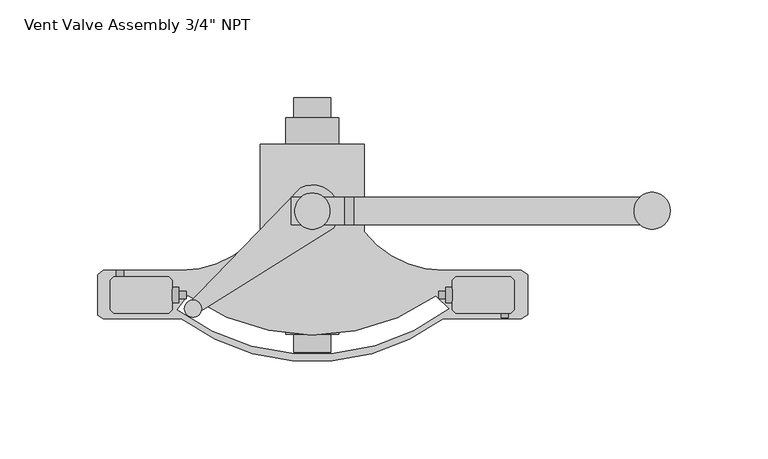
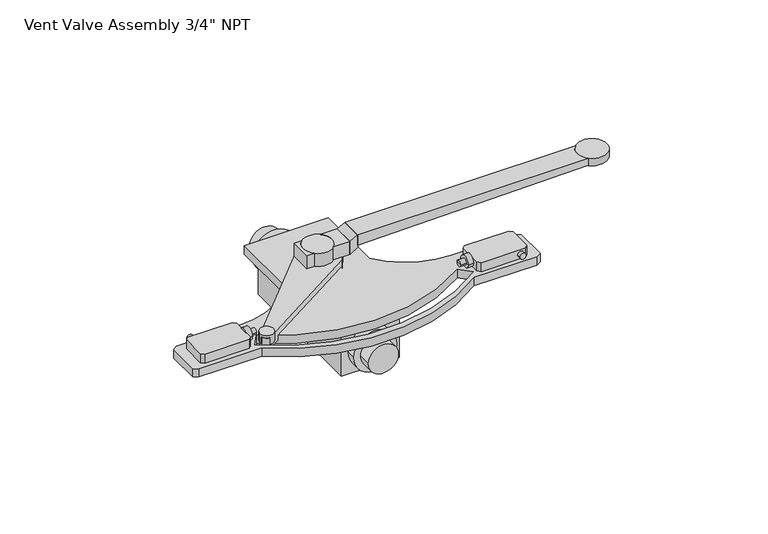
"""IFC4 building model written with IfcOpenShell, lengths in millimetres: proxy geometry."""

from ifc_helpers import new_model, si_unit, point, frame, frame_2d, origin, origin_with_axes, place, context, project, spatial, polyline, circle_curve, ellipse_curve, trimmed, segment, composite_curve, outline, extrude, source, transform, mapped, element, save
from ifc_brep_helpers import plane_surface, cylinder_surface, revolved_surface, advanced_brep


def proxy_3e509a9d(model_context):
    return source(origin(), model_context, "Body", "SolidModel", [
        advanced_brep(
        [(167.6530918, 49.9011411, 51.1490166), (21.4276479, 49.9011411, 51.1490166), (21.4276479, 36.0493409, 51.1490166), (167.6530918, 36.0493409, 51.1490166), (167.6530918, 49.9011411, 46.2462773), (21.4276479, 49.9011411, 44.0599167), (21.4276479, 36.0493409, 44.0599167), (167.6530918, 36.0493409, 46.2462773)],
        [
            (0, 1),
            (1, 2),
            (2, 3),
            (3, 0, circle_curve(frame((173.6986283, 42.975241, 51.1490166), z_axis=(0.0, 0.0, -1.0), x_axis=(1.0, 0.0, 0.0)), 9.1932912)),
            (0, 4),
            (4, 5),
            (5, 1),
            (5, 6),
            (6, 2),
            (6, 7),
            (7, 3),
            (7, 4, ellipse_curve(frame((173.6986283, 42.975241, 46.3366701), z_axis=(0.01495031373963865, 0.0, -0.9998882378141501), x_axis=(-0.9998882378141504, 0.0, -0.014950313739631306)), 9.1943188, 9.1932912)),
        ],
        [
            plane_surface(frame((24.7673325, 49.9011411, 51.1490166), z_axis=(0.0, 0.0, 1.0), x_axis=(-1.0, 0.0, 0.0))),
            plane_surface(frame((167.6530918, 49.9011411, 51.1490166), z_axis=(0.0, 1.0, 0.0), x_axis=(0.0, 0.0, -1.0))),
            plane_surface(frame((21.4276479, 49.9011411, 51.1490166), z_axis=(-1.0, 0.0, 0.0), x_axis=(0.0, 0.0, -1.0))),
            plane_surface(frame((21.4276479, 36.0493409, 51.1490166), z_axis=(0.0, -1.0, 0.0), x_axis=(0.0, 0.0, -1.0))),
            revolved_surface(polyline([(182.8919195, 42.975241, 46.19921214931781), (182.8919195, 42.975241, 51.1490166)]), (173.6986283, 42.975241, 43.3433435), (0.0, 0.0, -1.0)),
            plane_surface(frame((167.6530918, 36.0493409, 46.2462773), z_axis=(0.01495031373963865, 0.0, -0.9998882378141501), x_axis=(0.0, 1.0, 0.0))),
        ],
        [
            (0, [[1, 2, 3, 4]]),
            (1, [[-1, 5, 6, 7]]),
            (2, [[-2, -7, 8, 9]]),
            (3, [[-3, -9, 10, 11]]),
            (4, [[-4, -11, 12, -5]]),
            (5, [[-6, -12, -10, -8]]),
        ],
    ),
        extrude(outline(composite_curve([segment(trimmed(circle_curve(frame_2d((0.0643583, 42.9415181)), 9.2572168), [point((-6.039715, 49.9011411))], [point((-6.039715, 35.9818952))], True, "CARTESIAN"), True, "CONTINUOUS"), segment(polyline([(-6.039715, 35.9818952), (-10.7900482, 35.9818952), (-10.7900482, 49.9011411), (-6.039715, 49.9011411)]), True, "CONTINUOUS")], self_intersect=False)), frame((0.0, 0.0, 39.6620445), z_axis=(0.0, 0.0, 1.0), x_axis=(1.0, 0.0, 0.0)), (0.0, 0.0, 1.0), 8.5740422),
        advanced_brep(
        [(71.788078, -3.955816, 38.5816364), (71.788078, 3.955816, 38.5816364), (71.788078, 0.0, 38.5816364), (64.6864693, 0.0, 38.5816364), (64.6864693, 1.9244351, 38.5816364), (64.6864693, -1.9244351, 38.5816364), (68.3253532, 1.9244351, 38.5816364), (68.3253532, -1.9244351, 38.5816364), (68.3253532, 3.955816, 38.5816364), (68.3253532, -3.955816, 38.5816364)],
        [
            (0, 1, circle_curve(frame((71.788078, 0.0, 38.5816364), z_axis=(1.0, 0.0, 0.0), x_axis=(0.0, 1.0, 0.0)), 3.955816)),
            (1, 2),
            (2, 0),
            (1, 0, circle_curve(frame((71.788078, 0.0, 38.5816364), z_axis=(1.0, 0.0, 0.0), x_axis=(0.0, 1.0, 0.0)), 3.955816)),
            (3, 4),
            (4, 5, circle_curve(frame((64.6864693, 0.0, 38.5816364), z_axis=(-1.0, 0.0, 0.0), x_axis=(0.0, 1.0, 0.0)), 1.9244351)),
            (5, 3),
            (5, 4, circle_curve(frame((64.6864693, 0.0, 38.5816364), z_axis=(-1.0, 0.0, 0.0), x_axis=(0.0, 1.0, 0.0)), 1.9244351)),
            (4, 6),
            (6, 7, circle_curve(frame((68.3253532, 0.0, 38.5816364), z_axis=(-1.0, 0.0, 0.0), x_axis=(0.0, 1.0, 0.0)), 1.9244351)),
            (7, 5),
            (7, 6, circle_curve(frame((68.3253532, 0.0, 38.5816364), z_axis=(-1.0, 0.0, 0.0), x_axis=(0.0, 1.0, 0.0)), 1.9244351)),
            (6, 8),
            (8, 9, circle_curve(frame((68.3253532, 0.0, 38.5816364), z_axis=(-1.0, 0.0, 0.0), x_axis=(0.0, 1.0, 0.0)), 3.955816)),
            (9, 7),
            (9, 8, circle_curve(frame((68.3253532, 0.0, 38.5816364), z_axis=(-1.0, 0.0, 0.0), x_axis=(0.0, 1.0, 0.0)), 3.955816)),
            (8, 1),
            (0, 9),
        ],
        [
            plane_surface(frame((71.788078, 0.0, 38.5816364), z_axis=(1.0, 0.0, 0.0), x_axis=(0.0, 1.0, 0.0))),
            plane_surface(frame((64.6864693, 0.0, 38.5816364), z_axis=(-1.0, 0.0, 0.0), x_axis=(0.0, 1.0, 0.0))),
            cylinder_surface(frame((65.1724957, 0.0, 38.5816364), z_axis=(-1.0, 0.0, 0.0), x_axis=(0.0, 1.0, 0.0)), 1.9244351),
            plane_surface(frame((68.3253532, 0.0, 38.5816364), z_axis=(-1.0, 0.0, 0.0), x_axis=(0.0, 1.0, 0.0))),
            cylinder_surface(frame((65.1724957, 0.0, 38.5816364), z_axis=(-1.0, 0.0, 0.0), x_axis=(0.0, 1.0, 0.0)), 3.955816),
        ],
        [
            (0, [[1, 2, 3]]),
            (0, [[4, -3, -2]]),
            (1, [[5, 6, 7]]),
            (1, [[-7, 8, -5]]),
            (2, [[-6, 9, 10, 11]]),
            (2, [[-8, -11, 12, -9]]),
            (3, [[-10, 13, 14, 15]]),
            (3, [[-12, -15, 16, -13]]),
            (4, [[-14, 17, -1, 18]]),
            (4, [[-16, -18, -4, -17]]),
        ],
    ),
        advanced_brep(
        [(-71.788078, 0.0, 38.5816364), (-71.788078, 3.955816, 38.5816364), (-71.788078, -3.955816, 38.5816364), (-64.6864693, -1.9244351, 38.5816364), (-64.6864693, 1.9244351, 38.5816364), (-64.6864693, 0.0, 38.5816364), (-68.3253532, -1.9244351, 38.5816364), (-68.3253532, 1.9244351, 38.5816364), (-68.3253532, -3.955816, 38.5816364), (-68.3253532, 3.955816, 38.5816364)],
        [
            (0, 1),
            (1, 2, circle_curve(frame((-71.788078, 0.0, 38.5816364), z_axis=(-1.0, 0.0, 0.0), x_axis=(0.0, 1.0, 0.0)), 3.955816)),
            (2, 0),
            (2, 1, circle_curve(frame((-71.788078, 0.0, 38.5816364), z_axis=(-1.0, 0.0, 0.0), x_axis=(0.0, 1.0, 0.0)), 3.955816)),
            (3, 4, circle_curve(frame((-64.6864693, 0.0, 38.5816364), z_axis=(1.0, 0.0, 0.0), x_axis=(0.0, 1.0, 0.0)), 1.9244351)),
            (4, 5),
            (5, 3),
            (4, 3, circle_curve(frame((-64.6864693, 0.0, 38.5816364), z_axis=(1.0, 0.0, 0.0), x_axis=(0.0, 1.0, 0.0)), 1.9244351)),
            (6, 7, circle_curve(frame((-68.3253532, 0.0, 38.5816364), z_axis=(1.0, 0.0, 0.0), x_axis=(0.0, 1.0, 0.0)), 1.9244351)),
            (7, 4),
            (3, 6),
            (7, 6, circle_curve(frame((-68.3253532, 0.0, 38.5816364), z_axis=(1.0, 0.0, 0.0), x_axis=(0.0, 1.0, 0.0)), 1.9244351)),
            (8, 9, circle_curve(frame((-68.3253532, 0.0, 38.5816364), z_axis=(1.0, 0.0, 0.0), x_axis=(0.0, 1.0, 0.0)), 3.955816)),
            (9, 7),
            (6, 8),
            (9, 8, circle_curve(frame((-68.3253532, 0.0, 38.5816364), z_axis=(1.0, 0.0, 0.0), x_axis=(0.0, 1.0, 0.0)), 3.955816)),
            (1, 9),
            (8, 2),
        ],
        [
            plane_surface(frame((-71.788078, 0.0, 38.5816364), z_axis=(-1.0, 0.0, 0.0), x_axis=(0.0, 1.0, 0.0))),
            plane_surface(frame((-64.6864693, 0.0, 38.5816364), z_axis=(1.0, 0.0, 0.0), x_axis=(0.0, 1.0, 0.0))),
            cylinder_surface(frame((-68.0200584, 0.0, 38.5816364), z_axis=(-1.0, 0.0, 0.0), x_axis=(0.0, 1.0, 0.0)), 1.9244351),
            plane_surface(frame((-68.3253532, 0.0, 38.5816364), z_axis=(1.0, 0.0, 0.0), x_axis=(0.0, 1.0, 0.0))),
            cylinder_surface(frame((-68.0200584, 0.0, 38.5816364), z_axis=(-1.0, 0.0, 0.0), x_axis=(0.0, 1.0, 0.0)), 3.955816),
        ],
        [
            (0, [[1, 2, 3]]),
            (0, [[-3, 4, -1]]),
            (1, [[5, 6, 7]]),
            (1, [[8, -7, -6]]),
            (2, [[9, 10, -5, 11]]),
            (2, [[12, -11, -8, -10]]),
            (3, [[13, 14, -9, 15]]),
            (3, [[16, -15, -12, -14]]),
            (4, [[-2, 17, -13, 18]]),
            (4, [[-4, -18, -16, -17]]),
        ],
    ),
        extrude(outline(composite_curve([segment(trimmed(circle_curve(frame_2d((173.9591042, 43.0875816)), 9.4500066), [point((164.5090976, 43.0875816))], [point((183.4091108, 43.0875816))], False, "CARTESIAN"), True, "CONTINUOUS"), segment(trimmed(circle_curve(frame_2d((173.9591042, 43.0875816)), 9.4500066), [point((183.4091108, 43.0875816))], [point((164.5090976, 43.0875816))], False, "CARTESIAN"), True, "CONTINUOUS")], self_intersect=False)), frame((0.0, 0.0, 46.1996366), z_axis=(0.0, 0.0, 1.0), x_axis=(1.0, 0.0, 0.0)), (0.0, 0.0, 1.0), 4.94938),
        extrude(outline(polyline([(51.1490166, 21.4276479), (48.2360867, 16.5797184), (39.7573525, 16.5797184), (42.6155598, 21.4276479), (51.1490166, 21.4276479)])), frame((0.0, 36.0493409, 0.0), z_axis=(0.0, 1.0, 0.0), x_axis=(0.0, 0.0, 1.0)), (0.0, 0.0, 1.0), 13.8518001),
        extrude(outline(composite_curve([segment(polyline([(16.5797184, 36.0493409), (6.1040733, 36.0493409)]), True, "CONTINUOUS"), segment(trimmed(circle_curve(frame_2d((0.0689597, 42.975241)), 9.1864404), [point((6.1040733, 36.0493409))], [point((6.1040733, 49.9011411))], True, "CARTESIAN"), True, "CONTINUOUS"), segment(polyline([(6.1040733, 49.9011411), (16.5797184, 49.9011411), (16.5797184, 36.0493409)]), True, "CONTINUOUS")], self_intersect=False)), frame((0.0, 0.0, 39.6620445), z_axis=(0.0, 0.0, 1.0), x_axis=(1.0, 0.0, 0.0)), (0.0, 0.0, 1.0), 8.5740422),
        extrude(outline(composite_curve([segment(trimmed(circle_curve(frame_2d((0.0, 42.9415181)), 9.2572168), [point((-9.2572168, 42.9415181))], [point((9.2572168, 42.9415181))], False, "CARTESIAN"), True, "CONTINUOUS"), segment(trimmed(circle_curve(frame_2d((0.0, 42.9415181)), 9.2572168), [point((9.2572168, 42.9415181))], [point((-9.2572168, 42.9415181))], False, "CARTESIAN"), True, "CONTINUOUS")], self_intersect=False)), frame((0.0, 0.0, 39.6620445), z_axis=(0.0, 0.0, 1.0), x_axis=(1.0, 0.0, 0.0)), (0.0, 0.0, 1.0), 8.5740422),
        extrude(outline(composite_curve([segment(trimmed(circle_curve(frame_2d((0.0423428, 42.6260306)), 13.6268315), [point((-6.039715, 54.8202551))], [point((10.7055633, 34.1415586))], False, "CARTESIAN"), True, "CONTINUOUS"), segment(polyline([(10.7055633, 34.1415586), (-61.6463382, -11.0689272)]), True, "CONTINUOUS"), segment(trimmed(circle_curve(frame_2d((-61.3250466, -7.2170128)), 3.8652908), [point((-61.6463382, -11.0689272))], [point((-65.0856765, -6.3236279))], False, "CARTESIAN"), True, "CONTINUOUS"), segment(polyline([(-65.0856765, -6.3236279), (-6.039715, 54.8202551)]), True, "CONTINUOUS")], self_intersect=False)), frame((0.0, 0.0, 32.4571134), z_axis=(0.0, 0.0, 1.0), x_axis=(1.0, 0.0, 0.0)), (0.0, 0.0, 1.0), 7.204931),
        extrude(outline(composite_curve([segment(trimmed(circle_curve(frame_2d((-61.278367, -7.2274436)), 2.423053), [point((-63.7014201, -7.2274436))], [point((-58.855314, -7.2274436))], False, "CARTESIAN"), True, "CONTINUOUS"), segment(trimmed(circle_curve(frame_2d((-61.278367, -7.2274436)), 2.423053), [point((-58.855314, -7.2274436))], [point((-63.7014201, -7.2274436))], False, "CARTESIAN"), True, "CONTINUOUS")], self_intersect=False)), frame((0.0, 0.0, 29.9186605), z_axis=(0.0, 0.0, 1.0), x_axis=(1.0, 0.0, 0.0)), (0.0, 0.0, 1.0), 5.6615438),
        extrude(outline(composite_curve([segment(trimmed(circle_curve(frame_2d((-61.1557983, -7.0375123)), 4.3948695), [point((-65.5506678, -7.0375123))], [point((-56.7609288, -7.0375123))], False, "CARTESIAN"), True, "CONTINUOUS"), segment(trimmed(circle_curve(frame_2d((-61.1557983, -7.0375123)), 4.3948695), [point((-56.7609288, -7.0375123))], [point((-65.5506678, -7.0375123))], False, "CARTESIAN"), True, "CONTINUOUS")], self_intersect=False)), frame((0.0, 0.0, 35.5802042), z_axis=(0.0, 0.0, 1.0), x_axis=(1.0, 0.0, 0.0)), (0.0, 0.0, 1.0), 6.0028644),
        extrude(outline(composite_curve([segment(trimmed(circle_curve(frame_2d((38.5711088, -98.5921543)), 1.884407), [point((38.5711088, -96.7077473))], [point((38.5711088, -100.4765613))], False, "CARTESIAN"), True, "CONTINUOUS"), segment(trimmed(circle_curve(frame_2d((38.5711088, -98.5921543)), 1.884407), [point((38.5711088, -100.4765613))], [point((38.5711088, -96.7077473))], False, "CARTESIAN"), True, "CONTINUOUS")], self_intersect=False)), frame((0.0, 9.2810025, 0.0), z_axis=(0.0, 1.0, 0.0), x_axis=(0.0, 0.0, 1.0)), (0.0, 0.0, 1.0), 3.2487429),
        extrude(outline(composite_curve([segment(trimmed(circle_curve(frame_2d((38.5711088, 98.5921543)), 1.884407), [point((38.5711088, 96.7077473))], [point((38.5711088, 100.4765613))], False, "CARTESIAN"), True, "CONTINUOUS"), segment(trimmed(circle_curve(frame_2d((38.5711088, 98.5921543)), 1.884407), [point((38.5711088, 100.4765613))], [point((38.5711088, 96.7077473))], False, "CARTESIAN"), True, "CONTINUOUS")], self_intersect=False)), frame((0.0, -11.819806, 0.0), z_axis=(0.0, 1.0, 0.0), x_axis=(0.0, 0.0, 1.0)), (0.0, 0.0, 1.0), 2.5388035),
        extrude(outline(polyline([(101.7586784, 9.2810025), (103.5396808, 7.5), (103.5396808, -7.5), (101.7586784, -9.2810025), (73.5690805, -9.2810025), (71.788078, -7.5), (71.788078, 7.5), (73.5690805, 9.2810025), (101.7586784, 9.2810025)])), frame((0.0, 0.0, 35.5802042), z_axis=(0.0, 0.0, 1.0), x_axis=(1.0, 0.0, 0.0)), (0.0, 0.0, 1.0), 6.0028644),
        extrude(outline(polyline([(-101.7586784, 9.2810025), (-73.5690805, 9.2810025), (-71.788078, 7.5), (-71.788078, -7.5), (-73.5690805, -9.2810025), (-101.7586784, -9.2810025), (-103.5396808, -7.5), (-103.5396808, 7.5), (-101.7586784, 9.2810025)])), frame((0.0, 0.0, 35.5802042), z_axis=(0.0, 0.0, 1.0), x_axis=(1.0, 0.0, 0.0)), (0.0, 0.0, 1.0), 6.0028644),
        extrude(outline(composite_curve([segment(polyline([(-109.9957325, -10.4455816), (-109.9957325, 10.4455816), (-107.1271271, 12.5297453), (-67.1271271, 12.5297453)]), True, "CONTINUOUS"), segment(trimmed(circle_curve(frame_2d((-67.1271271, 63.8561161)), 51.3263707), [point((-67.1271271, 12.5297453))], [point((-26.681395, 32.256447))], True, "CARTESIAN"), True, "CONTINUOUS"), segment(polyline([(-26.681395, 32.256447), (-26.681395, 77.256447), (0.0956553, 77.256447), (26.681395, 77.256447), (26.681395, 32.256447)]), True, "CONTINUOUS"), segment(trimmed(circle_curve(frame_2d((67.1271271, 63.8561161)), 51.3263707), [point((26.681395, 32.256447))], [point((67.1271271, 12.5297453))], True, "CARTESIAN"), True, "CONTINUOUS"), segment(polyline([(67.1271271, 12.5297453), (107.1271271, 12.5297453), (110.3082325, 10.218537), (110.3082325, -10.2651596), (107.1271271, -12.1017716), (67.1271271, -12.1017716)]), True, "CONTINUOUS"), segment(trimmed(circle_curve(frame_2d((0.0, 78.27109)), 112.5757759), [point((67.1271271, -12.1017716))], [point((-67.1271271, -12.1017716))], False, "CARTESIAN"), True, "CONTINUOUS"), segment(polyline([(-67.1271271, -12.1017716), (-107.1271271, -12.1017716), (-109.9957325, -10.4455816)]), True, "CONTINUOUS")], self_intersect=False), holes=[composite_curve([segment(polyline([(69.759555, -7.0829777), (63.2919776, -0.6154002)]), True, "CONTINUOUS"), segment(trimmed(circle_curve(frame_2d((0.0, 89.8495538)), 110.4073473), [point((63.2919776, -0.6154002))], [point((-63.7215185, -0.3133567))], False, "CARTESIAN"), True, "CONTINUOUS"), segment(polyline([(-63.7215185, -0.3133567), (-69.1105488, -7.568577)]), True, "CONTINUOUS"), segment(trimmed(circle_curve(frame_2d((0.0, 85.4745538)), 115.90208), [point((-69.1105488, -7.568577))], [point((69.759555, -7.0829777))], True, "CARTESIAN"), True, "CONTINUOUS")], self_intersect=False)]), frame((0.0, 0.0, 29.9186605), z_axis=(0.0, 0.0, 1.0), x_axis=(1.0, 0.0, 0.0)), (0.0, 0.0, 1.0), 5.6615438),
        extrude(outline(polyline([(19.1211246, -13.7564552), (-17.8600528, -13.7564552), (-17.8600528, 77.256447), (19.1211246, 77.256447), (19.1211246, -13.7564552)])), origin_with_axes(), (0.0, 0.0, 1.0), 29.9186605),
        extrude(outline(composite_curve([segment(trimmed(circle_curve(frame_2d((14.9593302, 0.0)), 13.6187171), [point((14.9593302, -13.6187171))], [point((14.9593302, 13.6187171))], False, "CARTESIAN"), True, "CONTINUOUS"), segment(trimmed(circle_curve(frame_2d((14.9593302, 0.0)), 13.6187171), [point((14.9593302, 13.6187171))], [point((14.9593302, -13.6187171))], False, "CARTESIAN"), True, "CONTINUOUS")], self_intersect=False)), frame((0.0, -20.273221, 0.0), z_axis=(0.0, 1.0, 0.0), x_axis=(0.0, 0.0, 1.0)), (0.0, 0.0, 1.0), 111.0051974),
        extrude(outline(composite_curve([segment(trimmed(circle_curve(frame_2d((14.9593302, 0.0)), 9.525), [point((14.9593302, -9.525))], [point((14.9593302, 9.525))], False, "CARTESIAN"), True, "CONTINUOUS"), segment(trimmed(circle_curve(frame_2d((14.9593302, 0.0)), 9.525), [point((14.9593302, 9.525))], [point((14.9593302, -9.525))], False, "CARTESIAN"), True, "CONTINUOUS")], self_intersect=False)), frame((0.0, -29.2450956, 0.0), z_axis=(0.0, 1.0, 0.0), x_axis=(0.0, 0.0, 1.0)), (0.0, 0.0, 1.0), 130.3105064),
    ])


if __name__ == "__main__":
    model = new_model("IFC4")
    model_context = context("Model", 3, world=origin())
    ifc_project = project(units=[si_unit("LENGTHUNIT", "METRE", prefix="MILLI")], contexts=[model_context])
    site = spatial("IfcSite", under=ifc_project)
    building = spatial("IfcBuilding", under=site)
    placement = place(None, origin())
    proxy_shape = proxy_3e509a9d(model_context)
    element("IfcBuildingElementProxy", 1, Name="Vent Valve Assembly 3/4\" NPT", ObjectType="Vent Valve Assembly 3/4\" NPT", at=placement, inside=building, context=model_context, shape_type="MappedRepresentation", body=[
        mapped(proxy_shape, transform((0.0, 0.0, 0.0), x_axis=(1.0, 0.0, 0.0), y_axis=(0.0, 1.0, 0.0), z_axis=(0.0, 0.0, 1.0))),
    ])
    save(model, "model.ifc")
